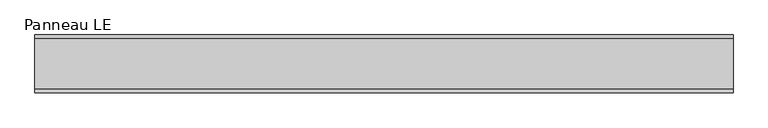
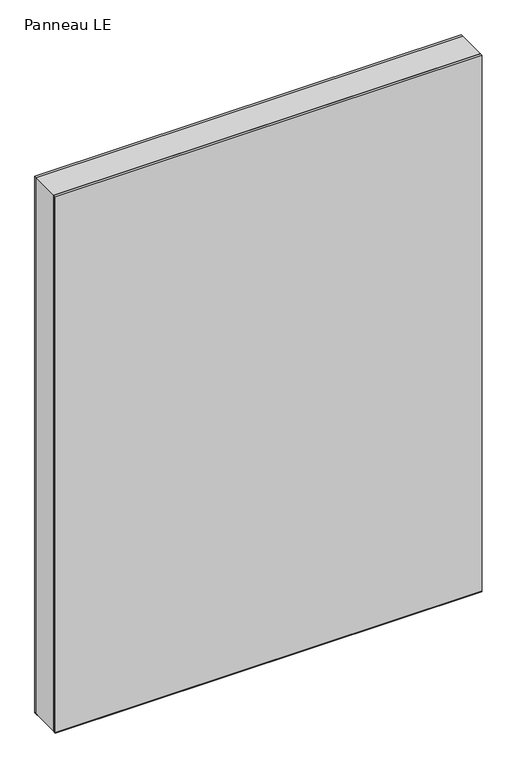
"""IFC4 building model written with IfcOpenShell, lengths in millimetres: plate geometry, Panneau LE."""

from ifc_helpers import new_model, si_unit, frame, origin, origin_with_axes, place, context, project, spatial, polyline, outline, extrude, source, transform, mapped, element, save


def panneau_le_846414a0(model_context):
    return source(origin(), model_context, "Body", "SweptSolid", [
        extrude(outline(polyline([(1446.5, 544.8749999), (1446.5, -544.8749999), (0.0, -544.8749999), (0.0, 544.8749999), (1446.5, 544.8749999)]), holes=[polyline([(60.0, -504.8749999), (1420.5, -504.8749999), (1420.5, 504.8749999), (60.0, 504.8749999), (60.0, -504.8749999)])]), frame((0.0, -39.0, 0.0), z_axis=(0.0, 1.0, 0.0), x_axis=(0.0, 0.0, 1.0)), (0.0, 0.0, 1.0), 78.0),
        extrude(outline(polyline([(-544.8749999, 35.0), (-544.8749999, 45.0), (544.8749999, 45.0), (544.8749999, 35.0), (-544.8749999, 35.0)])), frame((0.0, 0.0, -1.5), z_axis=(0.0, 0.0, 1.0), x_axis=(1.0, 0.0, 0.0)), (0.0, 0.0, 1.0), 1.5),
        extrude(outline(polyline([(-544.8749999, -45.0), (-544.8749999, -35.0), (544.8749999, -35.0), (544.8749999, -45.0), (-544.8749999, -45.0)])), frame((0.0, 0.0, -1.5), z_axis=(0.0, 0.0, 1.0), x_axis=(1.0, 0.0, 0.0)), (0.0, 0.0, 1.0), 1.5),
        extrude(outline(polyline([(544.8749999, 39.0), (-544.8749999, 39.0), (-544.8749999, 45.0), (544.8749999, 45.0), (544.8749999, 39.0)])), origin_with_axes(), (0.0, 0.0, 1.0), 1446.5),
        extrude(outline(polyline([(-544.8749999, -45.0), (-544.8749999, -39.0), (544.8749999, -39.0), (544.8749999, -45.0), (-544.8749999, -45.0)])), origin_with_axes(), (0.0, 0.0, 1.0), 1446.5),
    ])


if __name__ == "__main__":
    model = new_model("IFC4")
    model_context = context("Model", 3, world=origin())
    ifc_project = project(units=[si_unit("LENGTHUNIT", "METRE", prefix="MILLI")], contexts=[model_context])
    site = spatial("IfcSite", under=ifc_project)
    building = spatial("IfcBuilding", under=site)
    placement = place(None, origin())
    panneau_le_shape = panneau_le_846414a0(model_context)
    element("IfcPlate", 1, ObjectType="Panneau LE", at=placement, inside=building, context=model_context, shape_type="MappedRepresentation", body=[
        mapped(panneau_le_shape, transform((0.0, 0.0, 0.0), x_axis=(1.0, 0.0, 0.0), y_axis=(0.0, 1.0, 0.0), z_axis=(0.0, 0.0, 1.0))),
    ])
    save(model, "model.ifc")
